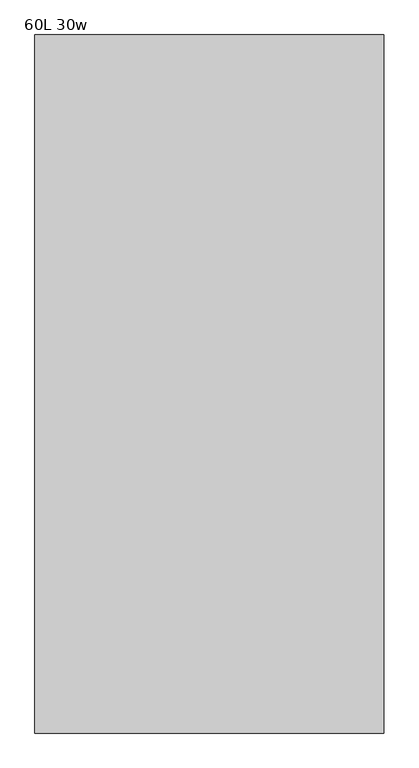
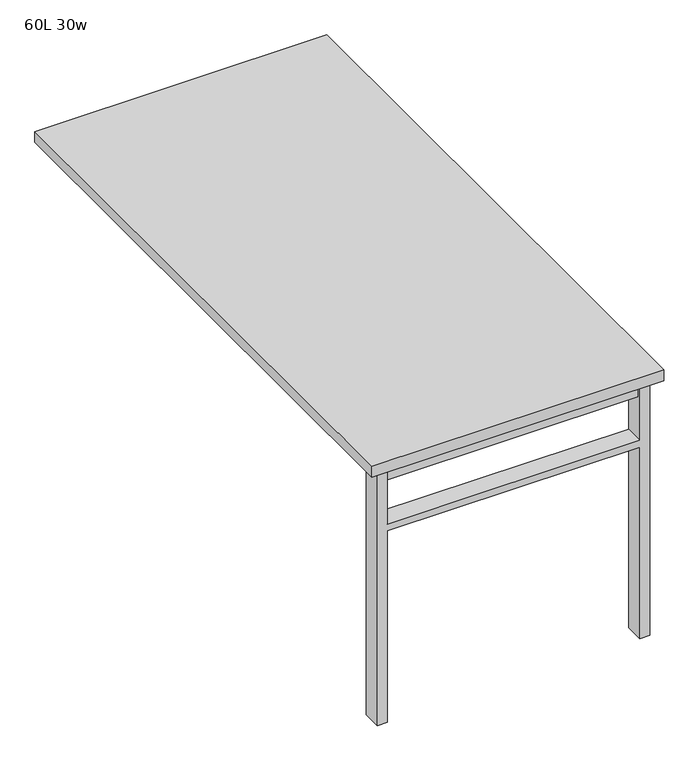
"""IFC4 building model written with IfcOpenShell, lengths in millimetres: furniture geometry, 60L 30w."""

from ifc_helpers import new_model, si_unit, frame, origin, place, context, project, spatial, polyline, outline, extrude, source, transform, mapped, element, save


def furniture_60l_30w_0792742d(model_context):
    return source(origin(), model_context, "Body", "SweptSolid", [
        extrude(outline(polyline([(-330.2, -701.675), (330.2, -701.675), (330.2, -733.425), (-330.2, -733.425), (-330.2, -701.675)])), frame((0.0, 0.0, 661.9875), z_axis=(0.0, 0.0, 1.0), x_axis=(1.0, 0.0, 0.0)), (0.0, 0.0, 1.0), 44.45),
        extrude(outline(polyline([(528.6375, 330.2), (0.0, 330.2), (0.0, 355.6), (706.4375, 355.6), (706.4375, 330.2), (547.6875, 330.2), (547.6875, -330.2), (706.4375, -330.2), (706.4375, -355.6), (0.0, -355.6), (0.0, -330.2), (528.6375, -330.2), (528.6375, 330.2)])), frame((0.0, -742.95, 0.0), z_axis=(0.0, 1.0, 0.0), x_axis=(0.0, 0.0, 1.0)), (0.0, 0.0, 1.0), 50.8),
        extrude(outline(polyline([(-381.0, -762.0), (-381.0, 762.0), (381.0, 762.0), (381.0, -762.0), (-381.0, -762.0)])), frame((0.0, 0.0, 706.4375), z_axis=(0.0, 0.0, 1.0), x_axis=(1.0, 0.0, 0.0)), (0.0, 0.0, 1.0), 30.1625),
    ])


if __name__ == "__main__":
    model = new_model("IFC4")
    model_context = context("Model", 3, world=origin())
    ifc_project = project(units=[si_unit("LENGTHUNIT", "METRE", prefix="MILLI")], contexts=[model_context])
    site = spatial("IfcSite", under=ifc_project)
    building = spatial("IfcBuilding", under=site)
    placement = place(None, origin())
    furniture_60l_30w_shape = furniture_60l_30w_0792742d(model_context)
    element("IfcFurniture", 1, ObjectType="60L 30w", at=placement, inside=building, context=model_context, shape_type="MappedRepresentation", body=[
        mapped(furniture_60l_30w_shape, transform((0.0, 0.0, 0.0), x_axis=(1.0, 0.0, 0.0), y_axis=(0.0, 1.0, 0.0), z_axis=(0.0, 0.0, 1.0))),
    ])
    save(model, "model.ifc")
